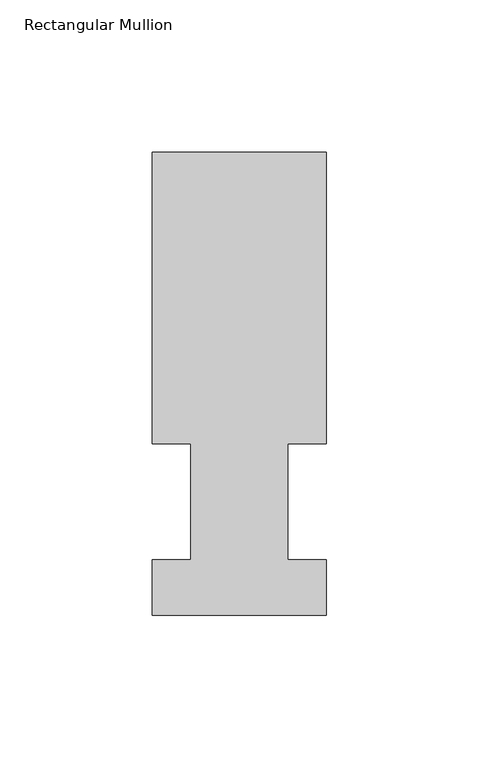
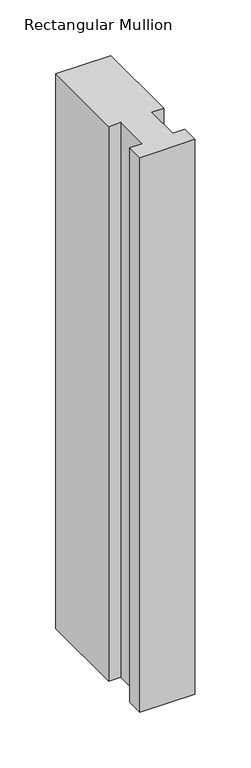
"""IFC4 building model written with IfcOpenShell, lengths in millimetres: member geometry, Rectangular Mullion."""

from ifc_helpers import new_model, si_unit, frame, origin, place, context, project, spatial, polyline, outline, extrude, source, transform, mapped, element, save


def rectangular_mullion_00fc18b4(model_context):
    return source(origin(), model_context, "Body", "SweptSolid", [
        extrude(outline(polyline([(-57.15, 151.98725), (0.0, 151.98725), (0.0, 56.35625), (-12.7, 56.35625), (-12.7, 18.25625), (0.0, 18.25625), (0.0, -0.03175), (-57.15, -0.03175), (-57.15, 18.25625), (-44.45, 18.25625), (-44.45, 56.35625), (-57.15, 56.35625), (-57.15, 151.98725)])), frame((0.0, 0.0, -609.6), z_axis=(0.0, 0.0, 1.0), x_axis=(1.0, 0.0, 0.0)), (0.0, 0.0, 1.0), 609.6),
    ])


if __name__ == "__main__":
    model = new_model("IFC4")
    model_context = context("Model", 3, world=origin())
    ifc_project = project(units=[si_unit("LENGTHUNIT", "METRE", prefix="MILLI")], contexts=[model_context])
    site = spatial("IfcSite", under=ifc_project)
    building = spatial("IfcBuilding", under=site)
    placement = place(None, origin())
    rectangular_mullion_shape = rectangular_mullion_00fc18b4(model_context)
    element("IfcMember", 1, ObjectType="Rectangular Mullion", at=placement, inside=building, context=model_context, shape_type="MappedRepresentation", body=[
        mapped(rectangular_mullion_shape, transform((0.0, 0.0, 0.0), x_axis=(1.0, 0.0, 0.0), y_axis=(0.0, 1.0, 0.0), z_axis=(0.0, 0.0, 1.0))),
    ])
    save(model, "model.ifc")
